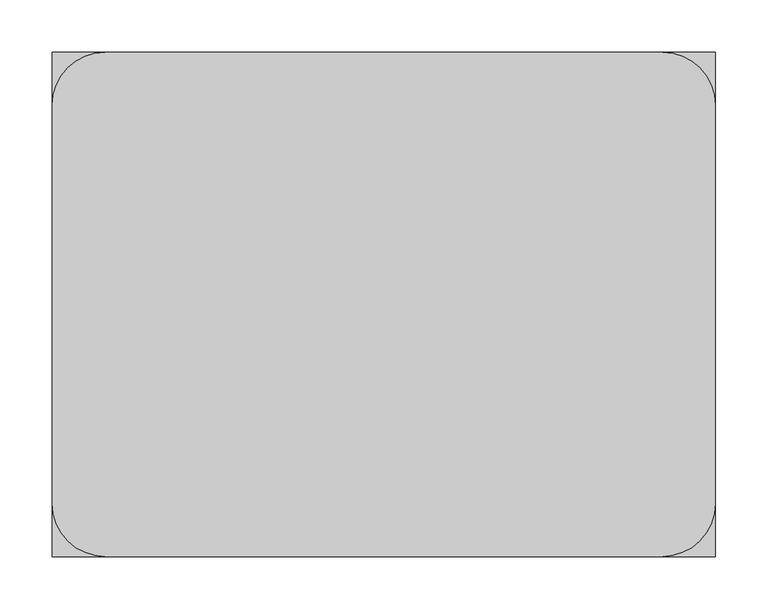
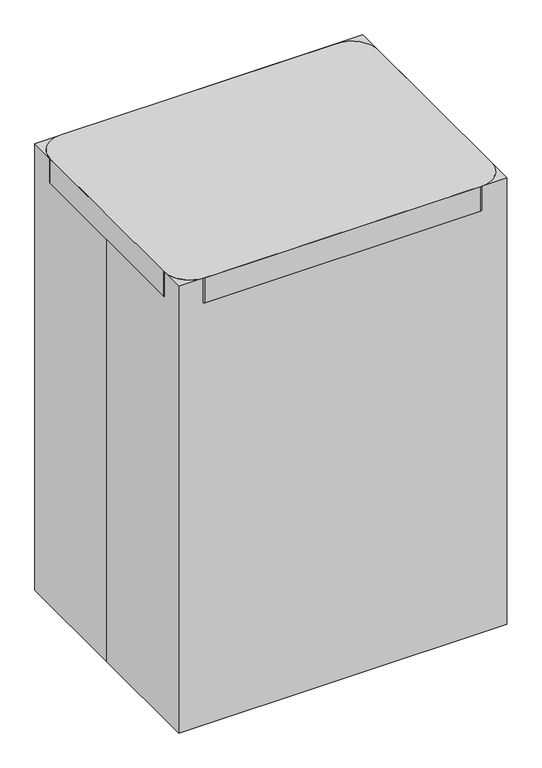
"""IFC4 building model written with IfcOpenShell, lengths in millimetres: proxy geometry."""

from ifc_helpers import new_model, si_unit, point, frame, frame_2d, origin, origin_with_axes, origin_2d, place, context, project, spatial, polyline, circle_curve, ellipse_curve, trimmed, segment, composite_curve, outline, extrude, source, transform, mapped, element, save
from ifc_brep_helpers import plane_surface, cylinder_surface, advanced_brep


def specialty_equipment_ca986602(model_context):
    return source(origin(), model_context, "Body", "SolidModel", [
        advanced_brep(
        [(254.708912, -41.275, 854.075), (254.708912, -53.975, 854.075), (311.858912, -53.975, 854.075), (299.158912, -41.275, 854.075), (311.858912, 60.325, 854.075), (299.158912, 47.625, 854.075), (254.708912, 47.625, 854.075), (254.708912, 60.325, 854.075)],
        [
            (0, 1, circle_curve(frame((254.708912, -47.625, 854.075), z_axis=(-1.0, 0.0, 0.0), x_axis=(0.0, -1.0, 0.0)), 6.35)),
            (1, 0, circle_curve(frame((254.708912, -47.625, 854.075), z_axis=(-1.0, 0.0, 0.0), x_axis=(0.0, -1.0, 0.0)), 6.35)),
            (1, 2),
            (2, 3, ellipse_curve(frame((305.508912, -47.625, 854.075), z_axis=(-0.7071067811865452, -0.7071067811865498, 0.0), x_axis=(-0.7071067811865498, 0.7071067811865451, 0.0)), 8.9802561, 6.35)),
            (3, 0),
            (3, 2, ellipse_curve(frame((305.508912, -47.625, 854.075), z_axis=(-0.7071067811865452, -0.7071067811865498, 0.0), x_axis=(-0.7071067811865498, 0.7071067811865451, 0.0)), 8.9802561, 6.35)),
            (2, 4),
            (4, 5, ellipse_curve(frame((305.508912, 53.975, 854.075), z_axis=(0.7071067811865497, -0.7071067811865454, 0.0), x_axis=(-0.7071067811865454, -0.7071067811865496, 0.0)), 8.9802561, 6.35)),
            (5, 3),
            (5, 4, ellipse_curve(frame((305.508912, 53.975, 854.075), z_axis=(0.7071067811865497, -0.7071067811865454, 0.0), x_axis=(-0.7071067811865454, -0.7071067811865496, 0.0)), 8.9802561, 6.35)),
            (6, 7, circle_curve(frame((254.708912, 53.975, 854.075), z_axis=(-1.0, 0.0, 0.0), x_axis=(0.0, 1.0, 0.0)), 6.35)),
            (7, 6, circle_curve(frame((254.708912, 53.975, 854.075), z_axis=(-1.0, 0.0, 0.0), x_axis=(0.0, 1.0, 0.0)), 6.35)),
            (4, 7),
            (6, 5),
        ],
        [
            plane_surface(frame((254.708912, -47.625, 854.075), z_axis=(-1.0, 0.0, 0.0), x_axis=(0.0, 0.0, 1.0))),
            cylinder_surface(frame((254.708912, -47.625, 854.075), z_axis=(-1.0, 0.0, 0.0), x_axis=(0.0, -1.0, 0.0)), 6.35),
            cylinder_surface(frame((305.508912, -47.625, 854.075), z_axis=(0.0, -1.0, 0.0), x_axis=(1.0, 0.0, 0.0)), 6.35),
            plane_surface(frame((254.708912, 53.975, 854.075), z_axis=(-1.0, 0.0, 0.0), x_axis=(0.0, 0.0, 1.0))),
            cylinder_surface(frame((305.508912, 53.975, 854.075), z_axis=(1.0, 0.0, 0.0), x_axis=(0.0, 1.0, 0.0)), 6.35),
        ],
        [
            (0, [[1, 2]]),
            (1, [[3, 4, 5, -2]]),
            (1, [[-5, 6, -3, -1]]),
            (2, [[7, 8, 9, -4]]),
            (2, [[-9, 10, -7, -6]]),
            (3, [[11, 12]]),
            (4, [[13, -11, 14, -8]]),
            (4, [[-14, -12, -13, -10]]),
        ],
    ),
        extrude(outline(polyline([(254.708912, -191.3169153), (-253.291088, -191.3169153), (-253.291088, 189.6830847), (254.708912, 189.6830847), (254.708912, -191.3169153)])), frame((0.0, 0.0, 844.55), z_axis=(0.0, 0.0, 1.0), x_axis=(1.0, 0.0, 0.0)), (0.0, 0.0, 1.0), 19.05),
        extrude(outline(composite_curve([segment(polyline([(266.7, -241.3), (-266.7, -241.3)]), True, "CONTINUOUS"), segment(trimmed(circle_curve(frame_2d((-266.7, -190.5)), 50.8), [point((-266.7, -241.3))], [point((-317.5, -190.5))], False, "CARTESIAN"), True, "CONTINUOUS"), segment(polyline([(-317.5, -190.5), (-317.5, 190.5)]), True, "CONTINUOUS"), segment(trimmed(circle_curve(frame_2d((-266.7, 190.5)), 50.8), [point((-317.5, 190.5))], [point((-266.7, 241.3))], False, "CARTESIAN"), True, "CONTINUOUS"), segment(polyline([(-266.7, 241.3), (266.7, 241.3)]), True, "CONTINUOUS"), segment(trimmed(circle_curve(frame_2d((266.7, 190.5)), 50.8), [point((266.7, 241.3))], [point((317.5, 190.5))], False, "CARTESIAN"), True, "CONTINUOUS"), segment(polyline([(317.5, 190.5), (317.5, -190.5)]), True, "CONTINUOUS"), segment(trimmed(circle_curve(frame_2d((266.7, -190.5)), 50.8), [point((317.5, -190.5))], [point((266.7, -241.3))], False, "CARTESIAN"), True, "CONTINUOUS")], self_intersect=False)), frame((0.0, 0.0, 863.6), z_axis=(0.0, 0.0, 1.0), x_axis=(1.0, 0.0, 0.0)), (0.0, 0.0, 1.0), 50.8),
        extrude(outline(composite_curve([segment(trimmed(circle_curve(frame_2d((25.4, -215.7677083)), 25.4), [point((25.4, -190.3677083))], [point((25.4, -241.1677083))], False, "CARTESIAN"), True, "CONTINUOUS"), segment(trimmed(circle_curve(frame_2d((25.4, -215.7677083)), 25.4), [point((25.4, -241.1677083))], [point((25.4, -190.3677083))], False, "CARTESIAN"), True, "CONTINUOUS")], self_intersect=False)), frame((0.0, -19.05, 0.0), z_axis=(0.0, 1.0, 0.0), x_axis=(0.0, 0.0, 1.0)), (0.0, 0.0, 1.0), 9.525),
        extrude(outline(composite_curve([segment(trimmed(circle_curve(frame_2d((25.4, -215.7677083)), 25.4), [point((25.4, -190.3677083))], [point((25.4, -241.1677083))], False, "CARTESIAN"), True, "CONTINUOUS"), segment(trimmed(circle_curve(frame_2d((25.4, -215.7677083)), 25.4), [point((25.4, -241.1677083))], [point((25.4, -190.3677083))], False, "CARTESIAN"), True, "CONTINUOUS")], self_intersect=False)), frame((0.0, 9.525, 0.0), z_axis=(0.0, 1.0, 0.0), x_axis=(0.0, 0.0, 1.0)), (0.0, 0.0, 1.0), 9.525),
        extrude(outline(composite_curve([segment(trimmed(circle_curve(frame_2d((-139.5677083, 25.4)), 25.4), [point((-164.9677083, 25.4))], [point((-114.1677083, 25.4))], False, "CARTESIAN"), True, "CONTINUOUS"), segment(trimmed(circle_curve(frame_2d((-139.5677083, 25.4)), 25.4), [point((-114.1677083, 25.4))], [point((-164.9677083, 25.4))], False, "CARTESIAN"), True, "CONTINUOUS")], self_intersect=False)), frame((9.525, 0.0, 0.0), z_axis=(1.0, 0.0, 0.0), x_axis=(0.0, 1.0, 0.0)), (0.0, 0.0, 1.0), 9.525),
        extrude(outline(composite_curve([segment(trimmed(circle_curve(frame_2d((-139.5677083, 25.4)), 25.4), [point((-114.1677083, 25.4))], [point((-164.9677083, 25.4))], False, "CARTESIAN"), True, "CONTINUOUS"), segment(trimmed(circle_curve(frame_2d((-139.5677083, 25.4)), 25.4), [point((-164.9677083, 25.4))], [point((-114.1677083, 25.4))], False, "CARTESIAN"), True, "CONTINUOUS")], self_intersect=False)), frame((-19.05, 0.0, 0.0), z_axis=(1.0, 0.0, 0.0), x_axis=(0.0, 1.0, 0.0)), (0.0, 0.0, 1.0), 9.525),
        extrude(outline(composite_curve([segment(trimmed(circle_curve(frame_2d((25.4, 215.9661458)), 25.4), [point((25.4, 241.3661458))], [point((25.4, 190.5661458))], False, "CARTESIAN"), True, "CONTINUOUS"), segment(trimmed(circle_curve(frame_2d((25.4, 215.9661458)), 25.4), [point((25.4, 190.5661458))], [point((25.4, 241.3661458))], False, "CARTESIAN"), True, "CONTINUOUS")], self_intersect=False)), frame((0.0, 9.525, 0.0), z_axis=(0.0, 1.0, 0.0), x_axis=(0.0, 0.0, 1.0)), (0.0, 0.0, 1.0), 9.525),
        extrude(outline(composite_curve([segment(trimmed(circle_curve(frame_2d((25.4, 215.9661458)), 25.4), [point((25.4, 190.5661458))], [point((25.4, 241.3661458))], False, "CARTESIAN"), True, "CONTINUOUS"), segment(trimmed(circle_curve(frame_2d((25.4, 215.9661458)), 25.4), [point((25.4, 241.3661458))], [point((25.4, 190.5661458))], False, "CARTESIAN"), True, "CONTINUOUS")], self_intersect=False)), frame((0.0, -19.05, 0.0), z_axis=(0.0, 1.0, 0.0), x_axis=(0.0, 0.0, 1.0)), (0.0, 0.0, 1.0), 9.525),
        extrude(outline(composite_curve([segment(trimmed(circle_curve(frame_2d((0.0, -148.034375)), 8.4666667), [point((-8.4666667, -148.034375))], [point((8.4666667, -148.034375))], False, "CARTESIAN"), True, "CONTINUOUS"), segment(trimmed(circle_curve(frame_2d((0.0, -148.034375)), 8.4666667), [point((8.4666667, -148.034375))], [point((-8.4666667, -148.034375))], False, "CARTESIAN"), True, "CONTINUOUS")], self_intersect=False)), frame((0.0, 0.0, 25.4), z_axis=(0.0, 0.0, 1.0), x_axis=(1.0, 0.0, 0.0)), (0.0, 0.0, 1.0), 25.4),
        extrude(outline(composite_curve([segment(trimmed(circle_curve(frame_2d((-139.5677083, 25.4)), 16.9333333), [point((-122.634375, 25.4))], [point((-156.5010417, 25.4))], False, "CARTESIAN"), True, "CONTINUOUS"), segment(trimmed(circle_curve(frame_2d((-139.5677083, 25.4)), 16.9333333), [point((-156.5010417, 25.4))], [point((-122.634375, 25.4))], False, "CARTESIAN"), True, "CONTINUOUS")], self_intersect=False)), frame((-9.525, 0.0, 0.0), z_axis=(1.0, 0.0, 0.0), x_axis=(0.0, 1.0, 0.0)), (0.0, 0.0, 1.0), 19.05),
        extrude(outline(composite_curve([segment(trimmed(circle_curve(frame_2d((224.4328125, 0.0)), 8.4666667), [point((224.4328125, -8.4666667))], [point((224.4328125, 8.4666667))], False, "CARTESIAN"), True, "CONTINUOUS"), segment(trimmed(circle_curve(frame_2d((224.4328125, 0.0)), 8.4666667), [point((224.4328125, 8.4666667))], [point((224.4328125, -8.4666667))], False, "CARTESIAN"), True, "CONTINUOUS")], self_intersect=False)), frame((0.0, 0.0, 25.4), z_axis=(0.0, 0.0, 1.0), x_axis=(1.0, 0.0, 0.0)), (0.0, 0.0, 1.0), 25.4),
        extrude(outline(composite_curve([segment(trimmed(circle_curve(frame_2d((25.4, 215.9661458)), 16.9333333), [point((25.4, 199.0328125))], [point((25.4, 232.8994792))], False, "CARTESIAN"), True, "CONTINUOUS"), segment(trimmed(circle_curve(frame_2d((25.4, 215.9661458)), 16.9333333), [point((25.4, 232.8994792))], [point((25.4, 199.0328125))], False, "CARTESIAN"), True, "CONTINUOUS")], self_intersect=False)), frame((0.0, -9.525, 0.0), z_axis=(0.0, 1.0, 0.0), x_axis=(0.0, 0.0, 1.0)), (0.0, 0.0, 1.0), 19.05),
        extrude(outline(composite_curve([segment(trimmed(circle_curve(frame_2d((-224.234375, 0.0)), 8.4666667), [point((-224.234375, 8.4666667))], [point((-224.234375, -8.4666667))], False, "CARTESIAN"), True, "CONTINUOUS"), segment(trimmed(circle_curve(frame_2d((-224.234375, 0.0)), 8.4666667), [point((-224.234375, -8.4666667))], [point((-224.234375, 8.4666667))], False, "CARTESIAN"), True, "CONTINUOUS")], self_intersect=False)), frame((0.0, 0.0, 25.4), z_axis=(0.0, 0.0, 1.0), x_axis=(1.0, 0.0, 0.0)), (0.0, 0.0, 1.0), 25.4),
        extrude(outline(composite_curve([segment(trimmed(circle_curve(frame_2d((25.4, -215.7677083)), 16.9333333), [point((25.4, -198.834375))], [point((25.4, -232.7010417))], False, "CARTESIAN"), True, "CONTINUOUS"), segment(trimmed(circle_curve(frame_2d((25.4, -215.7677083)), 16.9333333), [point((25.4, -232.7010417))], [point((25.4, -198.834375))], False, "CARTESIAN"), True, "CONTINUOUS")], self_intersect=False)), frame((0.0, -9.525, 0.0), z_axis=(0.0, 1.0, 0.0), x_axis=(0.0, 0.0, 1.0)), (0.0, 0.0, 1.0), 19.05),
        extrude(outline(composite_curve([segment(trimmed(circle_curve(frame_2d((139.7165365, 25.4)), 25.4), [point((114.3165365, 25.4))], [point((165.1165365, 25.4))], False, "CARTESIAN"), True, "CONTINUOUS"), segment(trimmed(circle_curve(frame_2d((139.7165365, 25.4)), 25.4), [point((165.1165365, 25.4))], [point((114.3165365, 25.4))], False, "CARTESIAN"), True, "CONTINUOUS")], self_intersect=False)), frame((-19.05, 0.0, 0.0), z_axis=(1.0, 0.0, 0.0), x_axis=(0.0, 1.0, 0.0)), (0.0, 0.0, 1.0), 9.525),
        extrude(outline(composite_curve([segment(trimmed(circle_curve(frame_2d((139.7165365, 25.4)), 25.4), [point((114.3165365, 25.4))], [point((165.1165365, 25.4))], False, "CARTESIAN"), True, "CONTINUOUS"), segment(trimmed(circle_curve(frame_2d((139.7165365, 25.4)), 25.4), [point((165.1165365, 25.4))], [point((114.3165365, 25.4))], False, "CARTESIAN"), True, "CONTINUOUS")], self_intersect=False)), frame((9.525, 0.0, 0.0), z_axis=(1.0, 0.0, 0.0), x_axis=(0.0, 1.0, 0.0)), (0.0, 0.0, 1.0), 9.525),
        extrude(outline(composite_curve([segment(trimmed(circle_curve(frame_2d((0.0, 148.1832031)), 8.4666667), [point((8.4666667, 148.1832031))], [point((-8.4666667, 148.1832031))], False, "CARTESIAN"), True, "CONTINUOUS"), segment(trimmed(circle_curve(frame_2d((0.0, 148.1832031)), 8.4666667), [point((-8.4666667, 148.1832031))], [point((8.4666667, 148.1832031))], False, "CARTESIAN"), True, "CONTINUOUS")], self_intersect=False)), frame((0.0, 0.0, 25.4), z_axis=(0.0, 0.0, 1.0), x_axis=(1.0, 0.0, 0.0)), (0.0, 0.0, 1.0), 25.4),
        extrude(outline(composite_curve([segment(trimmed(circle_curve(frame_2d((139.7165365, 25.4)), 16.9333333), [point((122.7832031, 25.4))], [point((156.6498698, 25.4))], False, "CARTESIAN"), True, "CONTINUOUS"), segment(trimmed(circle_curve(frame_2d((139.7165365, 25.4)), 16.9333333), [point((156.6498698, 25.4))], [point((122.7832031, 25.4))], False, "CARTESIAN"), True, "CONTINUOUS")], self_intersect=False)), frame((-9.525, 0.0, 0.0), z_axis=(1.0, 0.0, 0.0), x_axis=(0.0, 1.0, 0.0)), (0.0, 0.0, 1.0), 19.05),
        extrude(outline(polyline([(165.1, 63.5), (165.1, 50.8), (130.3216772, 50.8), (45.6550105, 12.7), (-45.6550105, 12.7), (-130.3216772, 50.8), (-165.1, 50.8), (-165.1, 63.5), (-129.1166667, 63.5), (-44.45, 25.4), (44.45, 25.4), (129.1166667, 63.5), (165.1, 63.5)])), frame((-19.05, 0.0, 0.0), z_axis=(1.0, 0.0, 0.0), x_axis=(0.0, 1.0, 0.0)), (0.0, 0.0, 1.0), 38.1),
        extrude(outline(composite_curve([segment(trimmed(circle_curve(origin_2d(), 12.7), [point((-12.7, 0.0))], [point((12.7, 0.0))], False, "CARTESIAN"), True, "CONTINUOUS"), segment(trimmed(circle_curve(origin_2d(), 12.7), [point((12.7, 0.0))], [point((-12.7, 0.0))], False, "CARTESIAN"), True, "CONTINUOUS")], self_intersect=False)), frame((0.0, 0.0, 12.7), z_axis=(0.0, 0.0, 1.0), x_axis=(1.0, 0.0, 0.0)), (0.0, 0.0, 1.0), 831.85),
        extrude(outline(polyline([(63.5, -241.3), (50.8, -241.3), (50.8, -206.5216772), (12.7, -45.6550105), (12.7, 45.6550105), (50.8, 206.5216772), (50.8, 241.3), (63.5, 241.3), (63.5, 205.3166667), (25.4, 44.45), (25.4, -44.45), (63.5, -205.3166667), (63.5, -241.3)])), frame((0.0, -19.05, 0.0), z_axis=(0.0, 1.0, 0.0), x_axis=(0.0, 0.0, 1.0)), (0.0, 0.0, 1.0), 38.1),
        extrude(outline(polyline([(-317.5, -241.3), (-317.5, 0.0), (-317.5, 241.3), (317.5, 241.3), (317.5, -241.3), (-317.5, -241.3)])), origin_with_axes(), (0.0, 0.0, 1.0), 914.4),
    ])


if __name__ == "__main__":
    model = new_model("IFC4")
    model_context = context("Model", 3, world=origin())
    ifc_project = project(units=[si_unit("LENGTHUNIT", "METRE", prefix="MILLI")], contexts=[model_context])
    site = spatial("IfcSite", under=ifc_project)
    building = spatial("IfcBuilding", under=site)
    placement = place(None, origin())
    specialty_equipment_shape = specialty_equipment_ca986602(model_context)
    element("IfcBuildingElementProxy", 1, Name="Specialty Equipment", at=placement, inside=building, context=model_context, shape_type="MappedRepresentation", body=[
        mapped(specialty_equipment_shape, transform((0.0, 0.0, 0.0), x_axis=(1.0, 0.0, 0.0), y_axis=(0.0, 1.0, 0.0), z_axis=(0.0, 0.0, 1.0))),
    ])
    save(model, "model.ifc")
